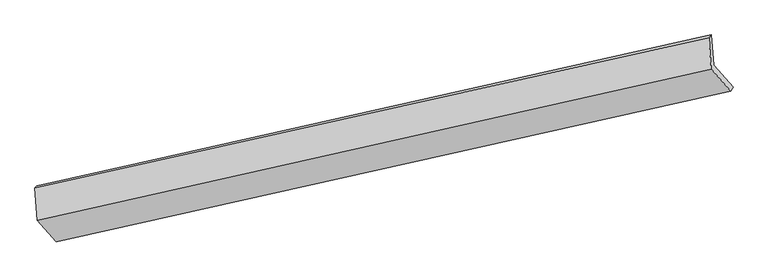
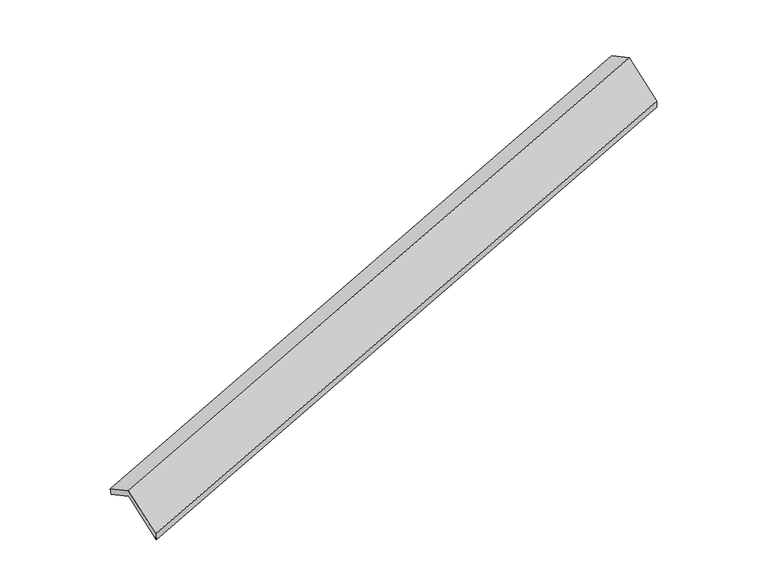
"""IFC4 building model written with IfcOpenShell, lengths in millimetres: proxy geometry."""

from ifc_helpers import new_model, si_unit, frame, origin, place, context, project, spatial, source, transform, mapped, element, save
from ifc_brep_helpers import plane_surface, spline_surface, advanced_brep


def generic_models_5bd87b0d(model_context):
    return source(origin(), model_context, "Body", "AdvancedBrep", [
        advanced_brep(
        [(-7369.8681133, -2527.0041602, 764.7227791), (-7399.0810727, -2113.992773, 560.7545061), (1497.6676604, -119.9068396, 3313.0063375), (1525.9312368, -519.4958956, 3510.3459078), (-7428.7347681, -2139.3783429, 675.2952271), (1465.7802797, -159.2409913, 3444.8804861), (-7398.2559646, -2570.2861715, 888.1017703), (1494.9932391, -572.2523785, 3648.848759), (-7144.2466261, -2856.8370398, 271.4904989), (1752.5021071, -862.7511063, 3023.7423303), (-7112.3592454, -2817.502888, 139.6163503), (1783.4401047, -809.9946235, 2885.2394791)],
        [
            (0, 1),
            (1, 2),
            (2, 3),
            (3, 0),
            (1, 4),
            (4, 5),
            (5, 2),
            (4, 6),
            (6, 7),
            (7, 5),
            (6, 8),
            (8, 9),
            (9, 7),
            (8, 10),
            (10, 11),
            (11, 9),
            (10, 0),
            (3, 11),
        ],
        [
            plane_surface(frame((-7384.474593, -2320.4984666, 662.7386426), z_axis=(0.3511180271592436, -0.39452578334051686, -0.8491557791614872), x_axis=(-0.06329220392682344, 0.8948220739148136, -0.4419135129828883))),
            spline_surface(1, 1, [[(-7399.0810727, -2113.992773, 560.7545061), (1497.6676604, -119.9068396, 3313.0063375)], [(-7428.7347681, -2139.3783429, 675.2952271), (1465.7802797, -159.2409913, 3444.8804861)]], [2, 2], [2, 2], [0.0, 1.0], [0.0, 1.0]),
            plane_surface(frame((-7413.4953663, -2354.8322572, 781.6984987), z_axis=(-0.35209872776383366, 0.3943062127850803, 0.8488516339538832), x_axis=(0.06329220392685724, -0.8948220739147967, 0.44191351298291776))),
            plane_surface(frame((-7271.2512953, -2713.5616057, 579.7961346), z_axis=(0.06378287335191751, -0.8947125320438724, 0.4420647351583431), x_axis=(0.3499529442859259, -0.39478595801793553, -0.8495157350735021))),
            spline_surface(1, 1, [[(-7144.2466261, -2856.8370398, 271.4904989), (1752.5021071, -862.7511063, 3023.7423303)], [(-7112.3592454, -2817.502888, 139.6163503), (1783.4401047, -809.9946235, 2885.2394791)]], [2, 2], [2, 2], [0.0, 1.0], [0.0, 1.0]),
            plane_surface(frame((-7241.1136793, -2672.2535241, 452.1695647), z_axis=(-0.06525477290143235, 0.8943824275349797, -0.4425176696248635), x_axis=(-0.3499529442859346, 0.39478595801794236, 0.8495157350734953))),
            plane_surface(frame((1586.7191046, -507.2736391, 3304.3438833), z_axis=(0.9346266814657699, 0.20841665813122937, 0.2881587460163111), x_axis=(0.20433946423691512, 0.34844632021767213, -0.9147844255791274))),
            plane_surface(frame((-7308.7576317, -2504.1668959, 549.9968553), z_axis=(-0.9346266814657697, -0.20841665813125315, -0.2881587460162947), x_axis=(0.34995294428592927, -0.39478595801792604, -0.8495157350735052))),
        ],
        [
            (0, [[1, 2, 3, 4]]),
            (1, [[5, 6, 7, -2]]),
            (2, [[8, 9, 10, -6]]),
            (3, [[11, 12, 13, -9]]),
            (4, [[14, 15, 16, -12]]),
            (5, [[17, -4, 18, -15]]),
            (6, [[-16, -18, -3, -7, -10, -13]]),
            (7, [[-17, -14, -11, -8, -5, -1]]),
        ],
    ),
    ])


if __name__ == "__main__":
    model = new_model("IFC4")
    model_context = context("Model", 3, world=origin())
    ifc_project = project(units=[si_unit("LENGTHUNIT", "METRE", prefix="MILLI")], contexts=[model_context])
    site = spatial("IfcSite", under=ifc_project)
    building = spatial("IfcBuilding", under=site)
    placement = place(None, origin())
    generic_models_shape = generic_models_5bd87b0d(model_context)
    element("IfcBuildingElementProxy", 1, Name="Generic Models", at=placement, inside=building, context=model_context, shape_type="MappedRepresentation", body=[
        mapped(generic_models_shape, transform((0.0, 0.0, 0.0), x_axis=(1.0, 0.0, 0.0), y_axis=(0.0, 1.0, 0.0), z_axis=(0.0, 0.0, 1.0))),
    ])
    save(model, "model.ifc")
